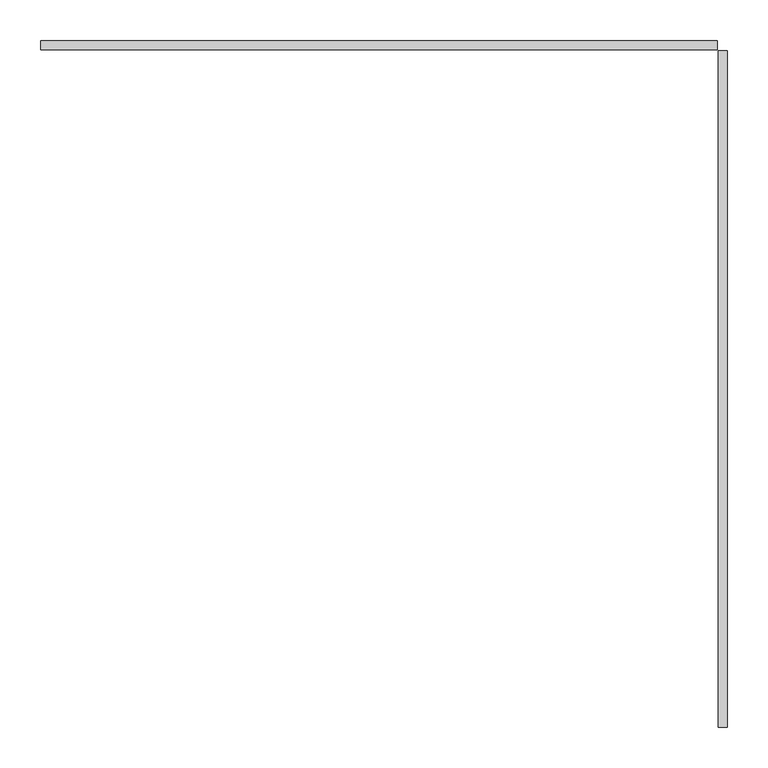
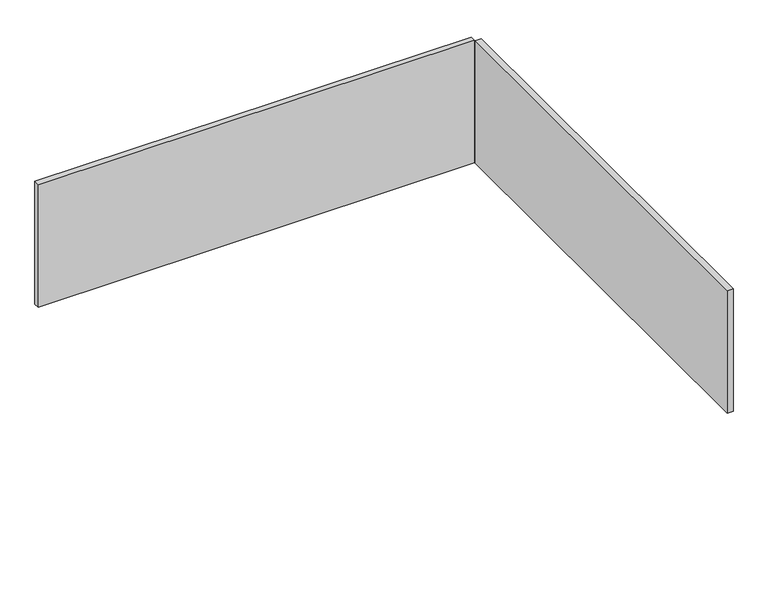
"""IFC4 building model written with IfcOpenShell, lengths in millimetres: furniture geometry."""

from ifc_helpers import new_model, si_unit, origin, origin_with_axes, place, context, project, spatial, polyline, outline, extrude, source, transform, mapped, element, save


def furniture_08881914(model_context):
    return source(origin(), model_context, "Body", "SweptSolid", [
        extrude(outline(polyline([(0.0, 0.0), (0.0, 10.9999997), (825.5411797, 10.9999997), (825.5411797, 0.0), (0.0, 0.0)])), origin_with_axes(), (0.0, 0.0, 1.0), 245.349995),
        extrude(outline(polyline([(837.6763401, -1.1215826), (837.6763401, -826.6215643), (826.6763575, -826.6215643), (826.6763575, -1.1215826), (837.6763401, -1.1215826)])), origin_with_axes(), (0.0, 0.0, 1.0), 245.349995),
    ])


if __name__ == "__main__":
    model = new_model("IFC4")
    model_context = context("Model", 3, world=origin())
    ifc_project = project(units=[si_unit("LENGTHUNIT", "METRE", prefix="MILLI")], contexts=[model_context])
    site = spatial("IfcSite", under=ifc_project)
    building = spatial("IfcBuilding", under=site)
    placement = place(None, origin())
    furniture_shape = furniture_08881914(model_context)
    element("IfcFurniture", 1, at=placement, inside=building, context=model_context, shape_type="MappedRepresentation", body=[
        mapped(furniture_shape, transform((0.0, 0.0, 0.0), x_axis=(1.0, 0.0, 0.0), y_axis=(0.0, 1.0, 0.0), z_axis=(0.0, 0.0, 1.0))),
    ])
    save(model, "model.ifc")
